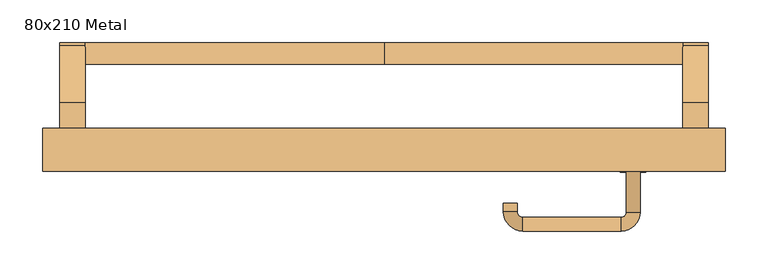
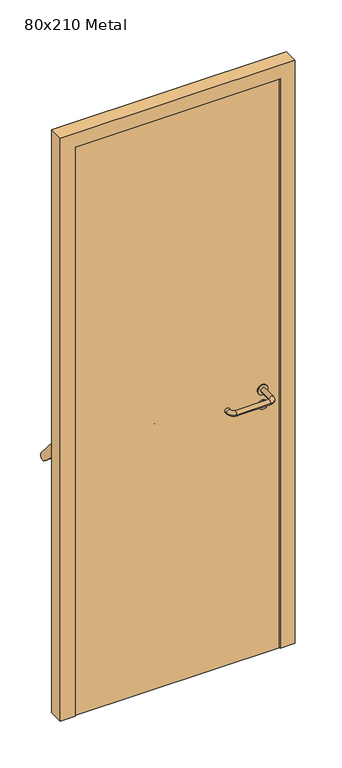
"""IFC4 building model written with IfcOpenShell, lengths in millimetres: door geometry, 80x210 Metal."""

from ifc_helpers import new_model, si_unit, point, frame, frame_2d, origin, origin_with_axes, place, context, project, spatial, polyline, circle_curve, ellipse_curve, trimmed, segment, composite_curve, outline, extrude, source, transform, mapped, element, save
from ifc_brep_helpers import plane_surface, cylinder_surface, revolved_surface, advanced_brep


def door_80x210_metal_41aff311(model_context):
    return source(origin(), model_context, "Body", "SolidModel", [
        advanced_brep(
        [(-350.0, 50.4171435, 861.5304884), (-350.0, 75.4171435, 861.5304884), (0.0, 75.4171435, 861.5304884), (0.0, 50.4171435, 861.5304884), (350.0, 50.4171435, 861.5304884), (350.0, 75.4171435, 861.5304884)],
        [
            (0, 1, circle_curve(frame((-350.0, 62.9171435, 861.5304884), z_axis=(-1.0, 0.0, 0.0), x_axis=(0.0, 1.0, 0.0)), 12.5)),
            (1, 0, circle_curve(frame((-350.0, 62.9171435, 861.5304884), z_axis=(-1.0, 0.0, 0.0), x_axis=(0.0, 1.0, 0.0)), 12.5)),
            (1, 2),
            (2, 3, circle_curve(frame((0.0, 62.9171435, 861.5304884), z_axis=(-1.0, 0.0, 0.0), x_axis=(0.0, 1.0, 0.0)), 12.5)),
            (3, 0),
            (3, 2, circle_curve(frame((0.0, 62.9171435, 861.5304884), z_axis=(-1.0, 0.0, 0.0), x_axis=(0.0, 1.0, 0.0)), 12.5)),
            (4, 5, circle_curve(frame((350.0, 62.9171435, 861.5304884), z_axis=(1.0, 0.0, 0.0), x_axis=(0.0, 1.0, 0.0)), 12.5)),
            (5, 4, circle_curve(frame((350.0, 62.9171435, 861.5304884), z_axis=(1.0, 0.0, 0.0), x_axis=(0.0, 1.0, 0.0)), 12.5)),
            (4, 3),
            (2, 5),
        ],
        [
            plane_surface(frame((-350.0, 75.4171435, 861.5304884), z_axis=(-1.0, 0.0, 0.0), x_axis=(0.0, 0.0, -1.0))),
            cylinder_surface(frame((-350.0, 62.9171435, 861.5304884), z_axis=(1.0, 0.0, 0.0), x_axis=(0.0, 1.0, 0.0)), 12.5),
            plane_surface(frame((350.0, 75.4171435, 861.5304884), z_axis=(1.0, 0.0, 0.0), x_axis=(0.0, 0.0, 1.0))),
            cylinder_surface(frame((0.0, 62.9171435, 861.5304884), z_axis=(1.0, 0.0, 0.0), x_axis=(0.0, 1.0, 0.0)), 12.5),
        ],
        [
            (0, [[1, 2]]),
            (1, [[-2, 3, 4, 5]]),
            (1, [[-1, -5, 6, -3]]),
            (2, [[7, 8]]),
            (3, [[-7, 9, -4, 10]]),
            (3, [[-8, -10, -6, -9]]),
        ],
    ),
        extrude(outline(composite_curve([segment(polyline([(5.0, 950.0), (72.492699, 869.5653335)]), True, "CONTINUOUS"), segment(trimmed(circle_curve(frame_2d((62.9171435, 861.5304884)), 12.5), [point((72.492699, 869.5653335))], [point((53.3415879, 853.4956432))], False, "CARTESIAN"), True, "CONTINUOUS"), segment(polyline([(53.3415879, 853.4956432), (3.5486991, 895.2768379), (-40.0, 895.2768379), (-40.0, 950.0), (5.0, 950.0)]), True, "CONTINUOUS")], self_intersect=False)), frame((-380.0, 0.0, 0.0), z_axis=(1.0, 0.0, 0.0), x_axis=(0.0, 1.0, 0.0)), (0.0, 0.0, 1.0), 30.0),
        extrude(outline(composite_curve([segment(polyline([(5.0, 950.0), (72.492699, 869.5653335)]), True, "CONTINUOUS"), segment(trimmed(circle_curve(frame_2d((62.9171435, 861.5304884)), 12.5), [point((72.492699, 869.5653335))], [point((53.3415879, 853.4956432))], False, "CARTESIAN"), True, "CONTINUOUS"), segment(polyline([(53.3415879, 853.4956432), (3.5486991, 895.2768379), (-40.0, 895.2768379), (-40.0, 950.0), (5.0, 950.0)]), True, "CONTINUOUS")], self_intersect=False)), frame((350.0, 0.0, 0.0), z_axis=(1.0, 0.0, 0.0), x_axis=(0.0, 1.0, 0.0)), (0.0, 0.0, 1.0), 30.0),
        extrude(outline(composite_curve([segment(trimmed(circle_curve(frame_2d((0.0, 15.0)), 15.0), [point((0.0, 30.0))], [point((0.0, 0.0))], False, "CARTESIAN"), True, "CONTINUOUS"), segment(trimmed(circle_curve(frame_2d((0.0, 15.0)), 15.0), [point((0.0, 0.0))], [point((0.0, 30.0))], False, "CARTESIAN"), True, "CONTINUOUS")], self_intersect=False), holes=[composite_curve([segment(trimmed(circle_curve(frame_2d((-4.7772515, 14.9398032)), 2.0), [point((-4.7772515, 16.9398032))], [point((-4.7772515, 12.9398032))], True, "CARTESIAN"), True, "CONTINUOUS"), segment(polyline([(-4.7772515, 12.9398032), (5.2227485, 12.9398032)]), True, "CONTINUOUS"), segment(trimmed(circle_curve(frame_2d((5.2227485, 14.9398032)), 2.0), [point((5.2227485, 12.9398032))], [point((5.2227485, 16.9398032))], True, "CARTESIAN"), True, "CONTINUOUS"), segment(polyline([(5.2227485, 16.9398032), (-4.7772515, 16.9398032)]), True, "CONTINUOUS")], self_intersect=False)]), frame((277.0, -76.35, 897.3605726), z_axis=(-1.8870575173328306e-12, 1.0, 0.0), x_axis=(0.0, 0.0, 1.0)), (0.0, 0.0, 1.0), 6.35),
        extrude(outline(composite_curve([segment(trimmed(circle_curve(frame_2d((0.0, 17.526)), 17.526), [point((0.0, 35.052))], [point((0.0, 0.0))], False, "CARTESIAN"), True, "CONTINUOUS"), segment(trimmed(circle_curve(frame_2d((0.0, 17.526)), 17.526), [point((0.0, 0.0))], [point((0.0, 35.052))], False, "CARTESIAN"), True, "CONTINUOUS")], self_intersect=False)), frame((274.474, -73.175, 950.0), z_axis=(-1.8870575173328306e-12, 1.0, 0.0), x_axis=(0.0, 0.0, 1.0)), (0.0, 0.0, 1.0), 3.175),
        advanced_brep(
        [(300.0, -70.0, 950.0), (284.0, -70.0, 950.0), (284.0, -123.0, 950.0), (300.0, -123.0, 950.0), (277.8578644, -129.1421356, 950.0), (277.8578644, -145.1421356, 950.0), (162.8578644, -129.1421356, 950.0), (162.8578644, -145.1421356, 950.0), (156.008622, -122.2928932, 950.0), (140.008622, -122.2928932, 950.0), (140.008622, -112.2928932, 950.0), (156.008622, -112.2928932, 950.0)],
        [
            (0, 1, circle_curve(frame((292.0, -70.0, 950.0), z_axis=(-1.888672253512351e-12, 1.0, 0.0), x_axis=(-1.0, -1.888672253512351e-12, 0.0)), 8.0)),
            (1, 0, circle_curve(frame((292.0, -70.0, 950.0), z_axis=(-1.888672253512351e-12, 1.0, 0.0), x_axis=(-1.0, -1.888672253512351e-12, 0.0)), 8.0)),
            (1, 2),
            (2, 3, circle_curve(frame((292.0, -123.0, 950.0), z_axis=(-1.888672253512351e-12, 1.0, 0.0), x_axis=(-1.0, -1.888672253512351e-12, 0.0)), 8.0)),
            (3, 0),
            (3, 2, circle_curve(frame((292.0, -123.0, 950.0), z_axis=(-1.888672253512351e-12, 1.0, 0.0), x_axis=(-1.0, -1.888672253512351e-12, 0.0)), 8.0)),
            (4, 5, circle_curve(frame((277.8578644, -137.1421356, 950.0), z_axis=(1.0, 1.913702061528922e-12, 0.0), x_axis=(-1.913702061528922e-12, 1.0, 0.0)), 8.0)),
            (5, 3, circle_curve(frame((277.8578644, -123.0, 950.0), z_axis=(0.0, 0.0, 1.0), x_axis=(1.0, 1.880717803715015e-12, 0.0)), 22.1421356)),
            (2, 4, circle_curve(frame((277.8578644, -123.0, 950.0), z_axis=(0.0, 0.0, -1.0), x_axis=(1.0, 1.880717803715015e-12, 0.0)), 6.1421356)),
            (5, 4, circle_curve(frame((277.8578644, -137.1421356, 950.0), z_axis=(1.0, 1.913702061528922e-12, 0.0), x_axis=(-1.913702061528922e-12, 1.0, 0.0)), 8.0)),
            (4, 6),
            (6, 7, circle_curve(frame((162.8578644, -137.1421356, 950.0), z_axis=(1.0, 1.913719828541269e-12, 0.0), x_axis=(-1.913719828541269e-12, 1.0, 0.0)), 8.0)),
            (7, 5),
            (7, 6, circle_curve(frame((162.8578644, -137.1421356, 950.0), z_axis=(1.0, 1.913719828541269e-12, 0.0), x_axis=(-1.913719828541269e-12, 1.0, 0.0)), 8.0)),
            (8, 9, circle_curve(frame((148.008622, -122.2928932, 950.0), z_axis=(1.890226565746826e-12, -1.0, 0.0), x_axis=(1.0, 1.890226565746826e-12, 0.0)), 8.0)),
            (9, 7, circle_curve(frame((162.8578644, -122.2928932, 950.0), z_axis=(0.0, 0.0, 1.0), x_axis=(1.9120873253494017e-12, -1.0, 0.0)), 22.8492424)),
            (6, 8, circle_curve(frame((162.8578644, -122.2928932, 950.0), z_axis=(0.0, 0.0, -1.0), x_axis=(1.9120873253494017e-12, -1.0, 0.0)), 6.8492424)),
            (9, 8, circle_curve(frame((148.008622, -122.2928932, 950.0), z_axis=(1.890670654956676e-12, -1.0, 0.0), x_axis=(1.0, 1.890670654956676e-12, 0.0)), 8.0)),
            (10, 11, circle_curve(frame((148.008622, -112.2928932, 950.0), z_axis=(-1.8903642334018795e-12, 1.0, 0.0), x_axis=(1.0, 1.8903642334018795e-12, 0.0)), 8.0)),
            (11, 10, circle_curve(frame((148.008622, -112.2928932, 950.0), z_axis=(-1.8903642334018795e-12, 1.0, 0.0), x_axis=(1.0, 1.8903642334018795e-12, 0.0)), 8.0)),
            (8, 11),
            (10, 9),
        ],
        [
            plane_surface(frame((292.0, -70.0, 170.0), z_axis=(-1.8870575173328306e-12, 1.0, 0.0), x_axis=(0.0, 0.0, 1.0))),
            cylinder_surface(frame((292.0, -70.0, 950.0), z_axis=(-1.888672253512351e-12, 1.0, 0.0), x_axis=(-1.0, -1.888672253512351e-12, 0.0)), 8.0),
            revolved_surface(trimmed(ellipse_curve(frame((292.0, -123.0, 950.0), z_axis=(1.8823325398945356e-12, -1.0, 0.0), x_axis=(-1.0, -1.8823325398945356e-12, 0.0)), 8.0, 8.0), [point((300.0, -123.0, 950.0))], [point((284.0, -123.0, 950.0))], True, "CARTESIAN"), (277.8578644, -123.0, 170.0), (0.0, 0.0, 1.0)),
            revolved_surface(trimmed(ellipse_curve(frame((292.0, -123.0, 950.0), z_axis=(1.8823325398945356e-12, -1.0, 0.0), x_axis=(-1.0, -1.8823325398945356e-12, 0.0)), 8.0, 8.0), [point((284.0, -123.0, 950.0))], [point((300.0, -123.0, 950.0))], True, "CARTESIAN"), (277.8578644, -123.0, 170.0), (0.0, 0.0, 1.0)),
            cylinder_surface(frame((277.8578644, -137.1421356, 950.0), z_axis=(1.0, 1.913719828541269e-12, 0.0), x_axis=(-1.913719828541269e-12, 1.0, 0.0)), 8.0),
            revolved_surface(trimmed(ellipse_curve(frame((162.8578644, -137.1421356, 950.0), z_axis=(-1.0, -1.913702061528922e-12, 0.0), x_axis=(-1.913702061528922e-12, 1.0, 0.0)), 8.0, 8.0), [point((162.8578644, -145.1421356, 950.0))], [point((162.8578644, -129.1421356, 950.0))], True, "CARTESIAN"), (162.8578644, -122.2928932, 170.0), (0.0, 0.0, 1.0)),
            revolved_surface(trimmed(ellipse_curve(frame((162.8578644, -137.1421356, 950.0), z_axis=(-1.0, -1.913702061528922e-12, 0.0), x_axis=(-1.913702061528922e-12, 1.0, 0.0)), 8.0, 8.0), [point((162.8578644, -129.1421356, 950.0))], [point((162.8578644, -145.1421356, 950.0))], True, "CARTESIAN"), (162.8578644, -122.2928932, 170.0), (0.0, 0.0, 1.0)),
            plane_surface(frame((148.008622, -112.2928932, 170.0), z_axis=(-1.8887494972223595e-12, 1.0, 0.0), x_axis=(0.0, 0.0, 1.0))),
            cylinder_surface(frame((148.008622, -122.2928932, 950.0), z_axis=(1.8903642334018795e-12, -1.0, 0.0), x_axis=(1.0, 1.8903642334018795e-12, 0.0)), 8.0),
        ],
        [
            (0, [[1, 2]]),
            (1, [[3, 4, 5, -2]]),
            (1, [[-5, 6, -3, -1]]),
            (2, [[7, 8, -4, 9]]),
            (3, [[10, -9, -6, -8]]),
            (4, [[11, 12, 13, -7]]),
            (4, [[-13, 14, -11, -10]]),
            (5, [[15, 16, -12, 17]]),
            (6, [[18, -17, -14, -16]]),
            (7, [[19, 20]]),
            (8, [[21, -19, 22, -15]]),
            (8, [[-22, -20, -21, -18]]),
        ],
    ),
        extrude(outline(polyline([(2050.0, 350.0), (0.0, 350.0), (0.0, 400.0), (2100.0, 400.0), (2100.0, -400.0), (0.0, -400.0), (0.0, -350.0), (2050.0, -350.0), (2050.0, 350.0)])), frame((0.0, -75.0, 0.0), z_axis=(0.0, 1.0, 0.0), x_axis=(0.0, 0.0, 1.0)), (0.0, 0.0, 1.0), 50.0),
        extrude(outline(polyline([(-350.0, -70.0), (-350.0, -40.0), (350.0, -40.0), (350.0, -70.0), (-350.0, -70.0)])), origin_with_axes(), (0.0, 0.0, 1.0), 2050.0),
    ])


if __name__ == "__main__":
    model = new_model("IFC4")
    model_context = context("Model", 3, world=origin())
    ifc_project = project(units=[si_unit("LENGTHUNIT", "METRE", prefix="MILLI")], contexts=[model_context])
    site = spatial("IfcSite", under=ifc_project)
    building = spatial("IfcBuilding", under=site)
    placement = place(None, origin())
    door_80x210_metal_shape = door_80x210_metal_41aff311(model_context)
    element("IfcDoor", 1, ObjectType="80x210 Metal", at=placement, inside=building, context=model_context, shape_type="MappedRepresentation", body=[
        mapped(door_80x210_metal_shape, transform((0.0, 0.0, 0.0), x_axis=(1.0, 0.0, 0.0), y_axis=(0.0, 1.0, 0.0), z_axis=(0.0, 0.0, 1.0))),
    ])
    save(model, "model.ifc")
